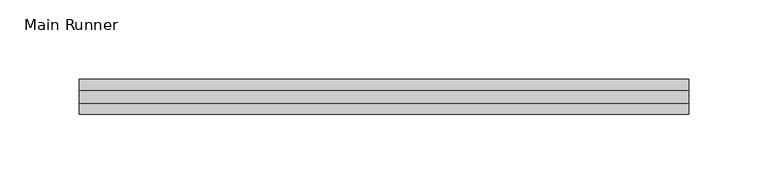
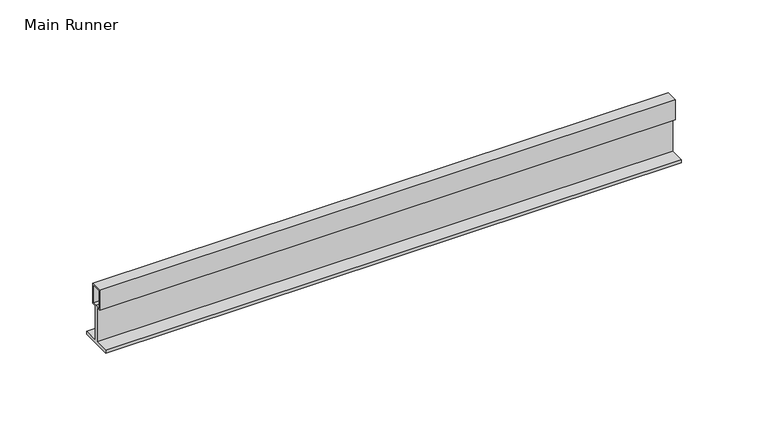
"""IFC4 building model written with IfcOpenShell, lengths in millimetres: beam geometry, Main Runner."""

from ifc_helpers import new_model, si_unit, frame, origin, place, context, project, spatial, polyline, outline, extrude, source, transform, mapped, element, save


def main_runner_5610403b(model_context):
    return source(origin(), model_context, "Body", "SweptSolid", [
        extrude(outline(polyline([(11.0, -2.0), (0.0, -2.0), (-11.0, -2.0), (-11.0, 0.0), (-1.0, 0.0), (-1.0, 24.0), (-4.0, 24.0), (-4.0, 38.1243468), (4.0, 38.1243468), (4.0, 24.0), (1.0, 24.0), (1.0, 0.0), (11.0, 0.0), (11.0, -2.0)]), holes=[polyline([(3.0, 37.1243468), (-3.0169966, 37.1243468), (-3.0169966, 25.0), (0.0, 25.0), (3.0, 25.0), (3.0, 37.1243468)])]), frame((-630.9999994, 0.0, 0.0), z_axis=(1.0, 0.0, 0.0), x_axis=(0.0, 1.0, 0.0)), (0.0, 0.0, 1.0), 383.1666767),
    ])


if __name__ == "__main__":
    model = new_model("IFC4")
    model_context = context("Model", 3, world=origin())
    ifc_project = project(units=[si_unit("LENGTHUNIT", "METRE", prefix="MILLI")], contexts=[model_context])
    site = spatial("IfcSite", under=ifc_project)
    building = spatial("IfcBuilding", under=site)
    placement = place(None, origin())
    main_runner_shape = main_runner_5610403b(model_context)
    element("IfcBeam", 1, ObjectType="Main Runner", at=placement, inside=building, context=model_context, shape_type="MappedRepresentation", body=[
        mapped(main_runner_shape, transform((0.0, 0.0, 0.0), x_axis=(1.0, 0.0, 0.0), y_axis=(0.0, 1.0, 0.0), z_axis=(0.0, 0.0, 1.0))),
    ])
    save(model, "model.ifc")
